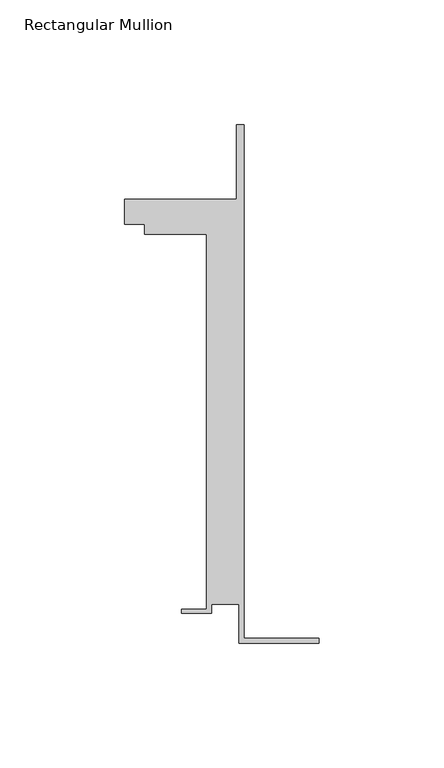
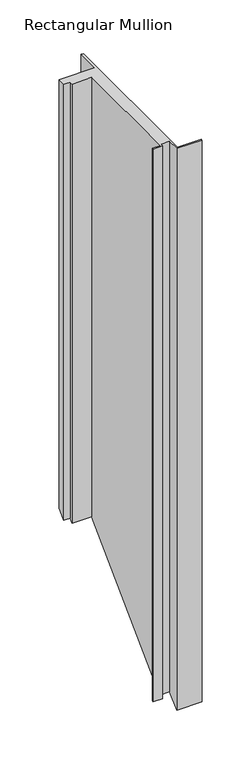
"""IFC4 building model written with IfcOpenShell, lengths in millimetres: member geometry, Rectangular Mullion."""

from ifc_helpers import new_model, si_unit, origin, place, context, project, spatial, faceted_brep, source, transform, mapped, element, save


def rectangular_mullion_cf92244f(model_context):
    return source(origin(), model_context, "Body", "Brep", [
        faceted_brep([(-32.1465839, -41.25, 0.0), (0.0, -41.25, 0.0), (0.0, -39.25, 0.0), (-30.1465839, -39.25, 0.0), (-30.1465839, 166.75, 0.0), (-33.1466122, 166.75, 0.0), (-33.1466122, 136.75, 0.0), (-78.1466122, 136.75, 0.0), (-78.1466122, 126.75, 0.0), (-70.1466122, 126.75, 0.0), (-70.1466122, 122.75, 0.0), (-45.1465839, 122.75, 0.0), (-45.1465839, -27.75, 0.0), (-55.1465839, -27.75, 0.0), (-55.1465839, -29.25, 0.0), (-43.1465839, -29.25, 0.0), (-43.1465839, -25.75, 0.0), (-32.1465839, -25.75, 0.0), (-32.1465839, -41.25, -750.81902), (0.0, -41.25, -750.81902), (0.0, -39.25, -748.81902), (-30.1465839, -39.25, -748.81902), (-30.1465839, 166.75, -542.81902), (-33.1466122, 166.75, -542.81902), (-33.1466122, 136.75, -572.81902), (-78.1466122, 136.75, -572.81902), (-78.1466122, 126.75, -582.81902), (-70.1466122, 126.75, -582.81902), (-70.1466122, 122.75, -586.81902), (-45.1465839, 122.75, -586.81902), (-45.1465839, -27.75, -737.31902), (-55.1465839, -27.75, -737.31902), (-55.1465839, -29.25, -738.81902), (-43.1465839, -29.25, -738.81902), (-43.1465839, -25.75, -735.31902), (-32.1465839, -25.75, -735.31902)], [[[0, 1, 2, 3, 4, 5, 6, 7, 8, 9, 10, 11, 12, 13, 14, 15, 16, 17]], [[1, 0, 18, 19]], [[2, 1, 19, 20]], [[3, 2, 20, 21]], [[4, 3, 21, 22]], [[5, 4, 22, 23]], [[6, 5, 23, 24]], [[7, 6, 24, 25]], [[8, 7, 25, 26]], [[9, 8, 26, 27]], [[10, 9, 27, 28]], [[11, 10, 28, 29]], [[12, 11, 29, 30]], [[13, 12, 30, 31]], [[14, 13, 31, 32]], [[15, 14, 32, 33]], [[16, 15, 33, 34]], [[17, 16, 34, 35]], [[0, 17, 35, 18]], [[18, 35, 34, 33, 32, 31, 30, 29, 28, 27, 26, 25, 24, 23, 22, 21, 20, 19]]]),
    ])


if __name__ == "__main__":
    model = new_model("IFC4")
    model_context = context("Model", 3, world=origin())
    ifc_project = project(units=[si_unit("LENGTHUNIT", "METRE", prefix="MILLI")], contexts=[model_context])
    site = spatial("IfcSite", under=ifc_project)
    building = spatial("IfcBuilding", under=site)
    placement = place(None, origin())
    rectangular_mullion_shape = rectangular_mullion_cf92244f(model_context)
    element("IfcMember", 1, ObjectType="Rectangular Mullion", at=placement, inside=building, context=model_context, shape_type="MappedRepresentation", body=[
        mapped(rectangular_mullion_shape, transform((0.0, 0.0, 0.0), x_axis=(1.0, 0.0, 0.0), y_axis=(0.0, 1.0, 0.0), z_axis=(0.0, 0.0, 1.0))),
    ])
    save(model, "model.ifc")
